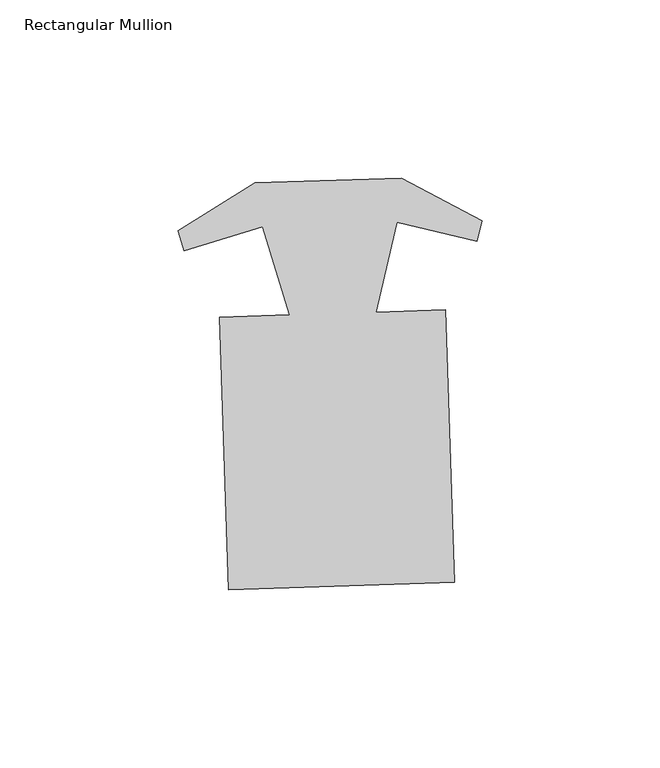
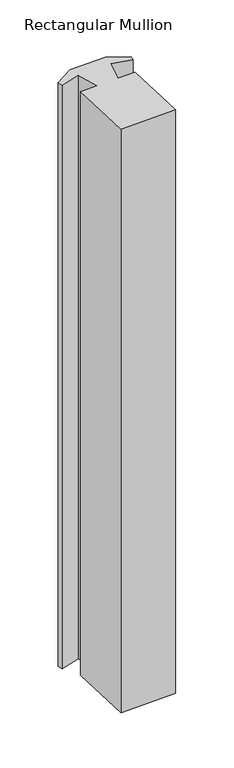
"""IFC4 building model written with IfcOpenShell, lengths in millimetres: member geometry, Rectangular Mullion."""

from ifc_helpers import new_model, si_unit, frame, origin, place, context, project, spatial, polyline, outline, extrude, source, transform, mapped, element, save


def rectangular_mullion_af07fb2d(model_context):
    return source(origin(), model_context, "Body", "SweptSolid", [
        extrude(outline(polyline([(34.4413672, -82.2616258), (-29.0251758, -84.3226722), (-31.5091489, -7.8327945), (-11.934479, -7.1971162), (-19.4476589, 17.5938811), (-41.6035387, 10.8793021), (-43.2888335, 16.4402149), (-21.5888206, 29.9262735), (19.6081352, 31.2641254), (42.1374109, 19.2143923), (40.8164626, 13.5558531), (18.2716183, 18.818797), (12.3827243, -6.4074264), (31.9573942, -5.7717481), (34.4413672, -82.2616258)])), frame((0.0, 0.0, -705.5970106), z_axis=(0.0, 0.0, 1.0), x_axis=(1.0, 0.0, 0.0)), (0.0, 0.0, 1.0), 705.5970106),
    ])


if __name__ == "__main__":
    model = new_model("IFC4")
    model_context = context("Model", 3, world=origin())
    ifc_project = project(units=[si_unit("LENGTHUNIT", "METRE", prefix="MILLI")], contexts=[model_context])
    site = spatial("IfcSite", under=ifc_project)
    building = spatial("IfcBuilding", under=site)
    placement = place(None, origin())
    rectangular_mullion_shape = rectangular_mullion_af07fb2d(model_context)
    element("IfcMember", 1, ObjectType="Rectangular Mullion", at=placement, inside=building, context=model_context, shape_type="MappedRepresentation", body=[
        mapped(rectangular_mullion_shape, transform((0.0, 0.0, 0.0), x_axis=(1.0, 0.0, 0.0), y_axis=(0.0, 1.0, 0.0), z_axis=(0.0, 0.0, 1.0))),
    ])
    save(model, "model.ifc")
